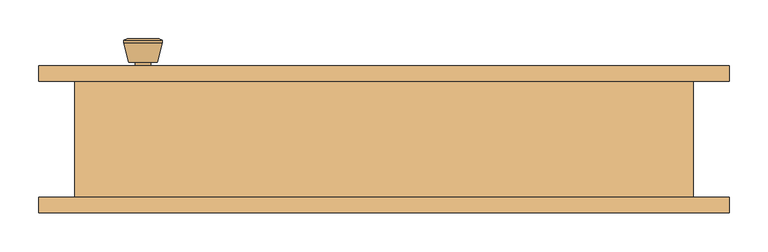
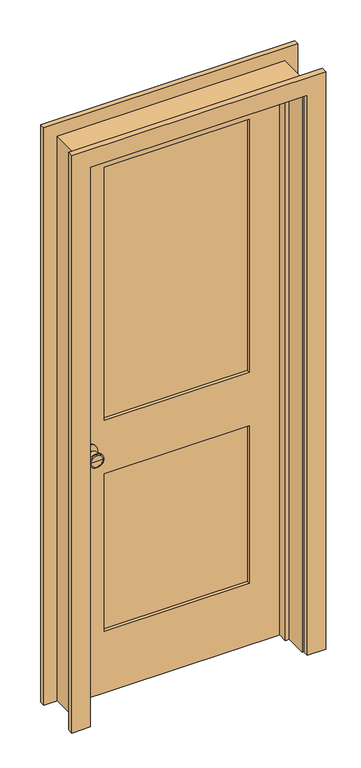
"""IFC4 building model written with IfcOpenShell, lengths in millimetres: door geometry."""

import ifcopenshell
import ifcopenshell.guid

model = None  # the IFC model being written
_history = None  # IfcOwnerHistory: only IFC2X3 demands one
_inside = {}  # id of a spatial element -> (the spatial element, [elements in it])
_under = {}  # id of a project, library or spatial element -> (it, [spatial elements below it])
_declared = {}  # id of a project -> (the project, [libraries it declares])
_typed = {}  # id of a type object -> (the type object, [elements of that type])
_made_of = {}  # id of a material, layer set ... -> (it, [elements and type objects made of it])


def new_model(schema):
    """Start an empty IFC model of exactly this schema.

    Asked for "IFC4X3", IfcOpenShell would pick the latest addendum, in which some entities
    have other attributes; the version numbers below select the first issue.
    IFC2X3 requires an IfcOwnerHistory on every rooted entity: one is made here for all.
    """
    global model, _history
    if schema == "IFC4X3":
        model = ifcopenshell.file(schema_version=(4, 3, 0, 0))
    else:
        model = ifcopenshell.file(schema=schema)
    _inside.clear()
    _under.clear()
    _declared.clear()
    _typed.clear()
    _made_of.clear()
    _history = None
    if model.schema == "IFC2X3":
        org = make("IfcOrganization", Name="unknown")
        user = make(
            "IfcPersonAndOrganization",
            ThePerson=make("IfcPerson", FamilyName="unknown"),
            TheOrganization=org,
        )
        app = make(
            "IfcApplication",
            ApplicationDeveloper=org,
            Version="unknown",
            ApplicationFullName="unknown",
            ApplicationIdentifier="unknown",
        )
        _history = make(
            "IfcOwnerHistory",
            OwningUser=user,
            OwningApplication=app,
            ChangeAction="ADDED",
            CreationDate=0,
        )
    return model


def make(cls, **values):
    """One entity of the class cls with the attributes given. An attribute that is None is left unset."""
    return model.create_entity(
        cls, **{name: value for name, value in values.items() if value is not None}
    )


def rooted(cls, **values):
    """An entity with a GlobalId (a new one), such as an element, a storey or a relation."""
    return make(cls, GlobalId=ifcopenshell.guid.new(), OwnerHistory=_history, **values)


def si_unit(unit_type, name, prefix=None):
    """IfcSIUnit, for example si_unit("LENGTHUNIT", "METRE", prefix="MILLI")."""
    return make("IfcSIUnit", UnitType=unit_type, Prefix=prefix, Name=name)


def assignment(units):
    """IfcUnitAssignment: the units of a project."""
    return None if units is None else make("IfcUnitAssignment", Units=units)


def point(xyz):
    """IfcCartesianPoint."""
    return None if xyz is None else make("IfcCartesianPoint", Coordinates=xyz)


def direction(xyz):
    """IfcDirection."""
    return None if xyz is None else make("IfcDirection", DirectionRatios=xyz)


def frame(location, z_axis=None, x_axis=None):
    """IfcAxis2Placement3D, a coordinate frame: its origin and axes. An axis left out is left unset."""
    return make(
        "IfcAxis2Placement3D",
        Location=point(location),
        Axis=direction(z_axis),
        RefDirection=direction(x_axis),
    )


def frame_2d(location, x_axis=None):
    """IfcAxis2Placement2D, a coordinate frame in the plane: its origin and x axis."""
    return make(
        "IfcAxis2Placement2D", Location=point(location), RefDirection=direction(x_axis)
    )


def origin():
    """The frame at (0, 0, 0) with its axes left unset."""
    return frame((0.0, 0.0, 0.0))


def place(relative_to, where):
    """IfcLocalPlacement: puts the frame where relative to a parent placement (None: the world)."""
    return make(
        "IfcLocalPlacement", PlacementRelTo=relative_to, RelativePlacement=where
    )


def context(
    kind, dimensions, precision=None, world=None, true_north=None, identifier=None
):
    """IfcGeometricRepresentationContext, for example the 3D "Model" context."""
    return make(
        "IfcGeometricRepresentationContext",
        ContextIdentifier=identifier,
        ContextType=kind,
        CoordinateSpaceDimension=dimensions,
        Precision=precision,
        WorldCoordinateSystem=world,
        TrueNorth=true_north,
    )


def project(units=None, contexts=None):
    """IfcProject with its units and contexts."""
    return rooted(
        "IfcProject",
        Name="project",
        RepresentationContexts=contexts,
        UnitsInContext=assignment(units),
    )


def spatial(cls, under=None, at=None, **own):
    """A site, building, storey or space (cls), placed at a placement, below another one or the project."""
    s = rooted(cls, ObjectPlacement=at, **own)
    if under is not None:
        _under.setdefault(under.id(), (under, []))[1].append(s)
    return s


def polyline(points):
    """IfcPolyline through the points."""
    return make("IfcPolyline", Points=[point(p) for p in points])


def circle_curve(where, radius):
    """IfcCircle in the frame where."""
    return make("IfcCircle", Position=where, Radius=radius)


def trimmed(basis, trim1, trim2, sense, master):
    """IfcTrimmedCurve: the piece of a basis curve between two trims."""
    return make(
        "IfcTrimmedCurve",
        BasisCurve=basis,
        Trim1=trim1,
        Trim2=trim2,
        SenseAgreement=sense,
        MasterRepresentation=master,
    )


def segment(curve, same_sense, transition):
    """IfcCompositeCurveSegment."""
    return make(
        "IfcCompositeCurveSegment",
        Transition=transition,
        SameSense=same_sense,
        ParentCurve=curve,
    )


def composite_curve(segments, self_intersect=None):
    """IfcCompositeCurve: segments joined end to end."""
    return make("IfcCompositeCurve", Segments=segments, SelfIntersect=self_intersect)


def outline(outer, holes=None, kind="AREA"):
    """IfcArbitraryClosedProfileDef: a profile drawn as a closed curve; with holes, ...WithVoids."""
    if holes is None:
        return make("IfcArbitraryClosedProfileDef", ProfileType=kind, OuterCurve=outer)
    return make(
        "IfcArbitraryProfileDefWithVoids",
        ProfileType=kind,
        OuterCurve=outer,
        InnerCurves=holes,
    )


def extrude(swept, where, along, depth):
    """IfcExtrudedAreaSolid: the profile swept, set in the frame where, extruded along a direction by depth."""
    return make(
        "IfcExtrudedAreaSolid",
        SweptArea=swept,
        Position=where,
        ExtrudedDirection=direction(along),
        Depth=depth,
    )


def faces_of(points, faces, orient=None, outer=None):
    """IfcFace entities. A face is a list of loops; a loop is a list of indices into points, from 0.

    orient and outer hold one flag for each loop. By default every Orientation is true, the
    first loop of a face is its IfcFaceOuterBound and the others are IfcFaceBound.
    """
    made = []
    for i, loops in enumerate(faces):
        bounds = []
        for j, loop in enumerate(loops):
            is_outer = j == 0 if outer is None else outer[i][j]
            bounds.append(
                make(
                    "IfcFaceOuterBound" if is_outer else "IfcFaceBound",
                    Bound=make("IfcPolyLoop", Polygon=[points[k] for k in loop]),
                    Orientation=True if orient is None else orient[i][j],
                )
            )
        made.append(make("IfcFace", Bounds=bounds))
    return made


def faceted_brep(points, faces, orient=None, outer=None, voids=None):
    """IfcFacetedBrep: a solid bounded by flat faces; with voids (closed shells), ...WithVoids."""
    shared = [point(p) for p in points]
    hull = make("IfcClosedShell", CfsFaces=faces_of(shared, faces, orient, outer))
    if voids is None:
        return make("IfcFacetedBrep", Outer=hull)
    return make(
        "IfcFacetedBrepWithVoids",
        Outer=hull,
        Voids=[
            make(cls, CfsFaces=faces_of(shared, fs, o, b)) for cls, fs, o, b in voids
        ],
    )


def shape(context_of_items, identifier, shape_type, items):
    """IfcShapeRepresentation: the items that make up one representation, for example the "Body"."""
    return make(
        "IfcShapeRepresentation",
        ContextOfItems=context_of_items,
        RepresentationIdentifier=identifier,
        RepresentationType=shape_type,
        Items=items,
    )


def source(mapping_origin, context_of_items, identifier, shape_type, items):
    """IfcRepresentationMap: a shape defined once, which mapped items show again and again."""
    return make(
        "IfcRepresentationMap",
        MappingOrigin=mapping_origin,
        MappedRepresentation=shape(context_of_items, identifier, shape_type, items),
    )


def transform(
    local_origin,
    x_axis=None,
    y_axis=None,
    z_axis=None,
    scale=None,
    scale2=None,
    scale3=None,
    uniform=True,
):
    """IfcCartesianTransformationOperator3D, or its non-uniform kind. x_axis, y_axis, z_axis: its Axis1, 2, 3."""
    if uniform:
        return make(
            "IfcCartesianTransformationOperator3D",
            Axis1=direction(x_axis),
            Axis2=direction(y_axis),
            LocalOrigin=point(local_origin),
            Scale=scale,
            Axis3=direction(z_axis),
        )
    return make(
        "IfcCartesianTransformationOperator3DnonUniform",
        Axis1=direction(x_axis),
        Axis2=direction(y_axis),
        LocalOrigin=point(local_origin),
        Scale=scale,
        Axis3=direction(z_axis),
        Scale2=scale2,
        Scale3=scale3,
    )


def mapped(mapping_source, mapping_target):
    """IfcMappedItem: shows the shape of a source again, moved by a transform."""
    return make(
        "IfcMappedItem", MappingSource=mapping_source, MappingTarget=mapping_target
    )


def made_of(thing, what):
    """Note that an element or type object is made of a material, layer set ...; save() writes the relation."""
    if what is not None:
        _made_of.setdefault(what.id(), (what, []))[1].append(thing)
    return thing


def element(
    cls,
    number,
    at=None,
    inside=None,
    cuts=None,
    type_object=None,
    material=None,
    context=None,
    identifier="Body",
    shape_type=None,
    held_by="IfcProductDefinitionShape",
    body=None,
    shapes=None,
    **own,
):
    """One element of the class cls, such as IfcWall. Its Tag is "e" and its number.

    at: its placement. inside: the storey or other place that contains it. cuts: it is an
    opening in that element (IfcRelVoidsElement). A single representation is given by context,
    identifier, shape_type and body (its items); several are given by shapes. held_by: the class
    of the entity that holds the representations. save() writes the other relations.
    """
    e = rooted(cls, Tag="e%d" % number, ObjectPlacement=at, **own)
    if body is not None:
        shapes = [shape(context, identifier, shape_type, body)]
    if shapes is not None:
        e.Representation = make(held_by, Representations=shapes)
    if inside is not None:
        _inside.setdefault(inside.id(), (inside, []))[1].append(e)
    if cuts is not None:
        rooted(
            "IfcRelVoidsElement", RelatingBuildingElement=cuts, RelatedOpeningElement=e
        )
    if type_object is not None:
        _typed.setdefault(type_object.id(), (type_object, []))[1].append(e)
    return made_of(e, material)


def aggregate(whole, parts):
    """IfcRelAggregates: a whole, such as a stair, and the parts it consists of."""
    return rooted("IfcRelAggregates", RelatingObject=whole, RelatedObjects=parts)


def save(model, path):
    """Write the relations noted so far, then the file.

    IfcRelAggregates (storeys below a building ...), IfcRelContainedInSpatialStructure (elements
    in a storey), IfcRelDefinesByType, IfcRelAssociatesMaterial and IfcRelDeclares: one each for
    every whole, place, type object, material and project.
    """
    for whole, parts in _under.values():
        aggregate(whole, parts)
    for where, things in _inside.values():
        rooted(
            "IfcRelContainedInSpatialStructure",
            RelatedElements=things,
            RelatingStructure=where,
        )
    for kind, things in _typed.values():
        rooted("IfcRelDefinesByType", RelatedObjects=things, RelatingType=kind)
    for what, things in _made_of.values():
        rooted("IfcRelAssociatesMaterial", RelatedObjects=things, RelatingMaterial=what)
    for by, libraries in _declared.values():
        rooted("IfcRelDeclares", RelatingContext=by, RelatedDefinitions=libraries)
    model.write(path)


def plane_surface(at):
    """IfcPlane: the flat surface through the origin of the frame at, square to its z axis."""
    return make("IfcPlane", Position=at)


def cylinder_surface(at, radius):
    """IfcCylindricalSurface: all points at the distance radius from the z axis of the frame at."""
    return make("IfcCylindricalSurface", Position=at, Radius=radius)


def revolved_surface(curve, axis_point, axis_direction):
    """IfcSurfaceOfRevolution: the curve turned about the line through axis_point along axis_direction."""
    return make(
        "IfcSurfaceOfRevolution",
        SweptCurve=make("IfcArbitraryOpenProfileDef", ProfileType="CURVE", Curve=curve),
        AxisPosition=make("IfcAxis1Placement", Location=point(axis_point), Axis=direction(axis_direction)),
    )


def advanced_brep(points, edges, surfaces, faces):
    """IfcAdvancedBrep: a solid bounded by faces that lie on surfaces and meet in shared edges.

    An edge is (start, end): straight between two places in points (the first is 0);
    or (start, end, curve); or (start, end, curve, False) where it runs against its curve.
    A face is (place in surfaces, loops), or (place, loops, False) where it looks against
    its surface's normal. A loop lists edges by number (the first is 1), with a minus sign
    where the edge is run from its end to its start. The first loop is the outer one.
    """
    corners = [point(p) for p in points]
    vertices = [make("IfcVertexPoint", VertexGeometry=c) for c in corners]
    made = []
    for start, end, *more in edges:
        made.append(
            make(
                "IfcEdgeCurve",
                EdgeStart=vertices[start],
                EdgeEnd=vertices[end],
                EdgeGeometry=more[0] if more else make("IfcPolyline", Points=[corners[start], corners[end]]),
                SameSense=more[1] if len(more) > 1 else True,
            )
        )
    hull = []
    for where, loops, *sense in faces:
        bounds = []
        for j, loop in enumerate(loops):
            ring = [make("IfcOrientedEdge", EdgeElement=made[abs(k) - 1], Orientation=k > 0) for k in loop]
            bounds.append(
                make(
                    "IfcFaceOuterBound" if j == 0 else "IfcFaceBound",
                    Bound=make("IfcEdgeLoop", EdgeList=ring),
                    Orientation=True,
                )
            )
        hull.append(make("IfcAdvancedFace", Bounds=bounds, FaceSurface=surfaces[where], SameSense=sense[0] if sense else True))
    return make("IfcAdvancedBrep", Outer=make("IfcClosedShell", CfsFaces=hull))


def door_8f4246bb(model_context):
    return source(origin(), model_context, "Body", "SolidModel", [
        advanced_brep(
        [(-311.5, 30.825, 914.4), (-301.5, 30.825, 914.4), (-321.5, 30.825, 914.4), (-291.0241324, -18.175, 914.4), (-311.5, -18.175, 914.4), (-331.9758676, -18.175, 914.4), (-286.5, -16.3471319, 914.4), (-336.5, -16.3471319, 914.4), (-286.5, -12.8834537, 914.4), (-336.5, -12.8834537, 914.4), (-292.863764, 11.825, 914.4), (-330.136236, 11.825, 914.4), (-301.5, 11.825, 914.4), (-321.5, 11.825, 914.4)],
        [
            (0, 1),
            (1, 2, circle_curve(frame((-311.5, 30.825, 914.4), z_axis=(0.0, 1.0, 0.0), x_axis=(-1.0, 0.0, 0.0)), 10.0)),
            (2, 0),
            (2, 1, circle_curve(frame((-311.5, 30.825, 914.4), z_axis=(0.0, 1.0, 0.0), x_axis=(-1.0, 0.0, 0.0)), 10.0)),
            (3, 4),
            (4, 5),
            (5, 3, circle_curve(frame((-311.5, -18.175, 914.4), z_axis=(0.0, -1.0, 0.0), x_axis=(-1.0, 0.0, 0.0)), 20.4758676)),
            (3, 5, circle_curve(frame((-311.5, -18.175, 914.4), z_axis=(0.0, -1.0, 0.0), x_axis=(-1.0, 0.0, 0.0)), 20.4758676)),
            (6, 3),
            (5, 7),
            (7, 6, circle_curve(frame((-311.5, -16.3471319, 914.4), z_axis=(0.0, -1.0, 0.0), x_axis=(-1.0, 0.0, 0.0)), 25.0)),
            (6, 7, circle_curve(frame((-311.5, -16.3471319, 914.4), z_axis=(0.0, -1.0, 0.0), x_axis=(-1.0, 0.0, 0.0)), 25.0)),
            (8, 6),
            (7, 9),
            (9, 8, circle_curve(frame((-311.5, -12.8834537, 914.4), z_axis=(0.0, -1.0, 0.0), x_axis=(-1.0, 0.0, 0.0)), 25.0)),
            (8, 9, circle_curve(frame((-311.5, -12.8834537, 914.4), z_axis=(0.0, -1.0, 0.0), x_axis=(-1.0, 0.0, 0.0)), 25.0)),
            (10, 8),
            (9, 11),
            (11, 10, circle_curve(frame((-311.5, 11.825, 914.4), z_axis=(0.0, -1.0, 0.0), x_axis=(-1.0, 0.0, 0.0)), 18.636236)),
            (10, 11, circle_curve(frame((-311.5, 11.825, 914.4), z_axis=(0.0, -1.0, 0.0), x_axis=(-1.0, 0.0, 0.0)), 18.636236)),
            (12, 10),
            (11, 13),
            (13, 12, circle_curve(frame((-311.5, 11.825, 914.4), z_axis=(0.0, -1.0, 0.0), x_axis=(-1.0, 0.0, 0.0)), 10.0)),
            (12, 13, circle_curve(frame((-311.5, 11.825, 914.4), z_axis=(0.0, -1.0, 0.0), x_axis=(-1.0, 0.0, 0.0)), 10.0)),
            (1, 12),
            (13, 2),
        ],
        [
            plane_surface(frame((-311.5, 30.825, 914.4), z_axis=(0.0, 1.0, 0.0), x_axis=(-1.0, 0.0, 0.0))),
            plane_surface(frame((-311.5, -18.175, 914.4), z_axis=(0.0, -1.0, 0.0), x_axis=(-1.0, 0.0, 0.0))),
            revolved_surface(polyline([(-331.9758676, -18.175, 914.4), (-336.5, -16.3471319, 914.4)]), (-311.5, 30.825, 914.4), (0.0, 1.0, 0.0)),
            cylinder_surface(frame((-311.5, 30.825, 914.4), z_axis=(0.0, 1.0, 0.0), x_axis=(-1.0, 0.0, 0.0)), 25.0),
            revolved_surface(polyline([(-336.5, -12.8834537, 914.4), (-330.136236, 11.825, 914.4)]), (-311.5, 30.825, 914.4), (0.0, 1.0, 0.0)),
            plane_surface(frame((-311.5, 11.825, 914.4), z_axis=(0.0, 1.0, 0.0), x_axis=(-1.0, 0.0, 0.0))),
            cylinder_surface(frame((-311.5, 30.825, 914.4), z_axis=(0.0, 1.0, 0.0), x_axis=(-1.0, 0.0, 0.0)), 10.0),
        ],
        [
            (0, [[1, 2, 3]]),
            (0, [[-3, 4, -1]]),
            (1, [[5, 6, 7]]),
            (1, [[-6, -5, 8]]),
            (2, [[9, -7, 10, 11]]),
            (2, [[-10, -8, -9, 12]]),
            (3, [[13, -11, 14, 15]]),
            (3, [[-14, -12, -13, 16]]),
            (4, [[17, -15, 18, 19]]),
            (4, [[-18, -16, -17, 20]]),
            (5, [[21, -19, 22, 23]]),
            (5, [[-22, -20, -21, 24]]),
            (6, [[25, -23, 26, -2]]),
            (6, [[-26, -24, -25, -4]]),
        ],
    ),
        extrude(outline(composite_curve([segment(trimmed(circle_curve(frame_2d((914.4, -311.5)), 30.0), [point((914.4, -341.5))], [point((914.4, -281.5))], False, "CARTESIAN"), True, "CONTINUOUS"), segment(trimmed(circle_curve(frame_2d((914.4, -311.5)), 30.0), [point((914.4, -281.5))], [point((914.4, -341.5))], False, "CARTESIAN"), True, "CONTINUOUS")], self_intersect=False)), frame((0.0, 30.825, 0.0), z_axis=(0.0, 1.0, 0.0), x_axis=(0.0, 0.0, 1.0)), (0.0, 0.0, 1.0), 6.0),
        advanced_brep(
        [(-311.5, 77.825, 914.4), (-321.5, 77.825, 914.4), (-301.5, 77.825, 914.4), (-291.0241324, 126.825, 914.4), (-331.9758676, 126.825, 914.4), (-311.5, 126.825, 914.4), (-286.5, 124.9971319, 914.4), (-336.5, 124.9971319, 914.4), (-286.5, 121.5334537, 914.4), (-336.5, 121.5334537, 914.4), (-292.863764, 96.825, 914.4), (-330.136236, 96.825, 914.4), (-301.5, 96.825, 914.4), (-321.5, 96.825, 914.4)],
        [
            (0, 1),
            (1, 2, circle_curve(frame((-311.5, 77.825, 914.4), z_axis=(0.0, -1.0, 0.0), x_axis=(-1.0, 0.0, 0.0)), 10.0)),
            (2, 0),
            (2, 1, circle_curve(frame((-311.5, 77.825, 914.4), z_axis=(0.0, -1.0, 0.0), x_axis=(-1.0, 0.0, 0.0)), 10.0)),
            (3, 4, circle_curve(frame((-311.5, 126.825, 914.4), z_axis=(0.0, 1.0, 0.0), x_axis=(-1.0, 0.0, 0.0)), 20.4758676)),
            (4, 5),
            (5, 3),
            (4, 3, circle_curve(frame((-311.5, 126.825, 914.4), z_axis=(0.0, 1.0, 0.0), x_axis=(-1.0, 0.0, 0.0)), 20.4758676)),
            (6, 7, circle_curve(frame((-311.5, 124.9971319, 914.4), z_axis=(0.0, 1.0, 0.0), x_axis=(-1.0, 0.0, 0.0)), 25.0)),
            (7, 4),
            (3, 6),
            (7, 6, circle_curve(frame((-311.5, 124.9971319, 914.4), z_axis=(0.0, 1.0, 0.0), x_axis=(-1.0, 0.0, 0.0)), 25.0)),
            (8, 9, circle_curve(frame((-311.5, 121.5334537, 914.4), z_axis=(0.0, 1.0, 0.0), x_axis=(-1.0, 0.0, 0.0)), 25.0)),
            (9, 7),
            (6, 8),
            (9, 8, circle_curve(frame((-311.5, 121.5334537, 914.4), z_axis=(0.0, 1.0, 0.0), x_axis=(-1.0, 0.0, 0.0)), 25.0)),
            (10, 11, circle_curve(frame((-311.5, 96.825, 914.4), z_axis=(0.0, 1.0, 0.0), x_axis=(-1.0, 0.0, 0.0)), 18.636236)),
            (11, 9),
            (8, 10),
            (11, 10, circle_curve(frame((-311.5, 96.825, 914.4), z_axis=(0.0, 1.0, 0.0), x_axis=(-1.0, 0.0, 0.0)), 18.636236)),
            (12, 13, circle_curve(frame((-311.5, 96.825, 914.4), z_axis=(0.0, 1.0, 0.0), x_axis=(-1.0, 0.0, 0.0)), 10.0)),
            (13, 11),
            (10, 12),
            (13, 12, circle_curve(frame((-311.5, 96.825, 914.4), z_axis=(0.0, 1.0, 0.0), x_axis=(-1.0, 0.0, 0.0)), 10.0)),
            (1, 13),
            (12, 2),
        ],
        [
            plane_surface(frame((-311.5, 77.825, 914.4), z_axis=(0.0, -1.0, 0.0), x_axis=(-1.0, 0.0, 0.0))),
            plane_surface(frame((-311.5, 126.825, 914.4), z_axis=(0.0, 1.0, 0.0), x_axis=(-1.0, 0.0, 0.0))),
            revolved_surface(polyline([(-331.9758676, 126.825, 914.4), (-336.5, 124.9971319, 914.4)]), (-311.5, 77.825, 914.4), (0.0, -1.0, 0.0)),
            cylinder_surface(frame((-311.5, 77.825, 914.4), z_axis=(0.0, -1.0, 0.0), x_axis=(-1.0, 0.0, 0.0)), 25.0),
            revolved_surface(polyline([(-336.5, 121.5334537, 914.4), (-330.136236, 96.825, 914.4)]), (-311.5, 77.825, 914.4), (0.0, -1.0, 0.0)),
            plane_surface(frame((-311.5, 96.825, 914.4), z_axis=(0.0, -1.0, 0.0), x_axis=(-1.0, 0.0, 0.0))),
            cylinder_surface(frame((-311.5, 77.825, 914.4), z_axis=(0.0, -1.0, 0.0), x_axis=(-1.0, 0.0, 0.0)), 10.0),
        ],
        [
            (0, [[1, 2, 3]]),
            (0, [[-3, 4, -1]]),
            (1, [[5, 6, 7]]),
            (1, [[8, -7, -6]]),
            (2, [[9, 10, -5, 11]]),
            (2, [[12, -11, -8, -10]]),
            (3, [[13, 14, -9, 15]]),
            (3, [[16, -15, -12, -14]]),
            (4, [[17, 18, -13, 19]]),
            (4, [[20, -19, -16, -18]]),
            (5, [[21, 22, -17, 23]]),
            (5, [[24, -23, -20, -22]]),
            (6, [[-2, 25, -21, 26]]),
            (6, [[-4, -26, -24, -25]]),
        ],
    ),
        extrude(outline(composite_curve([segment(trimmed(circle_curve(frame_2d((914.4, -311.5)), 30.0), [point((914.4, -341.5))], [point((914.4, -281.5))], False, "CARTESIAN"), True, "CONTINUOUS"), segment(trimmed(circle_curve(frame_2d((914.4, -311.5)), 30.0), [point((914.4, -281.5))], [point((914.4, -341.5))], False, "CARTESIAN"), True, "CONTINUOUS")], self_intersect=False)), frame((0.0, 71.825, 0.0), z_axis=(0.0, 1.0, 0.0), x_axis=(0.0, 0.0, 1.0)), (0.0, 0.0, 1.0), 6.0),
        extrude(outline(polyline([(255.0, 48.4916667), (-255.0, 48.4916667), (-255.0, 60.1583333), (255.0, 60.1583333), (255.0, 48.4916667)])), frame((0.0, 0.0, 1014.4), z_axis=(0.0, 0.0, 1.0), x_axis=(1.0, 0.0, 0.0)), (0.0, 0.0, 1.0), 940.6),
        extrude(outline(polyline([(255.0, 48.4916667), (-255.0, 48.4916667), (-255.0, 60.1583333), (255.0, 60.1583333), (255.0, 48.4916667)])), frame((0.0, 0.0, 230.0), z_axis=(0.0, 0.0, 1.0), x_axis=(1.0, 0.0, 0.0)), (0.0, 0.0, 1.0), 584.4),
        extrude(outline(polyline([(2075.0, -375.0), (0.0, -375.0), (0.0, 375.0), (2075.0, 375.0), (2075.0, -375.0)]), holes=[polyline([(1955.0, -255.0), (1955.0, 255.0), (1014.4, 255.0), (1014.4, -255.0), (1955.0, -255.0)]), polyline([(814.4, -255.0), (814.4, 255.0), (230.0, 255.0), (230.0, -255.0), (814.4, -255.0)])]), frame((0.0, 36.825, 0.0), z_axis=(0.0, 1.0, 0.0), x_axis=(0.0, 0.0, 1.0)), (0.0, 0.0, 1.0), 35.0),
        faceted_brep([(400.0, 71.825, 0.0), (400.0, -78.175, 0.0), (375.0, -78.175, 0.0), (375.0, 1.9, 0.0), (362.3, 1.9, 0.0), (362.3, 36.825, 0.0), (375.0, 36.825, 0.0), (375.0, 71.825, 0.0), (400.0, 71.825, 2100.0), (400.0, -78.175, 2100.0), (-400.0, -78.175, 2100.0), (-400.0, -78.175, 0.0), (-375.0, -78.175, 0.0), (-375.0, -78.175, 2075.0), (375.0, -78.175, 2075.0), (375.0, 1.9, 2075.0), (-375.0, 1.9, 2075.0), (-375.0, 1.9, 0.0), (-362.3, 1.9, 0.0), (-362.3, 1.9, 2062.3), (362.3, 1.9, 2062.3), (362.3, 36.825, 2062.3), (-362.3, 36.825, 2062.3), (-362.3, 36.825, 0.0), (-375.0, 36.825, 0.0), (-375.0, 36.825, 2075.0), (375.0, 36.825, 2075.0), (375.0, 71.825, 2075.0), (-375.0, 71.825, 2075.0), (-375.0, 71.825, 0.0), (-400.0, 71.825, 0.0), (-400.0, 71.825, 2100.0)], [[[0, 1, 2, 3, 4, 5, 6, 7]], [[1, 0, 8, 9]], [[2, 1, 9, 10, 11, 12, 13, 14]], [[3, 2, 14, 15]], [[4, 3, 15, 16, 17, 18, 19, 20]], [[5, 4, 20, 21]], [[6, 5, 21, 22, 23, 24, 25, 26]], [[7, 6, 26, 27]], [[0, 7, 27, 28, 29, 30, 31, 8]], [[9, 8, 31, 10]], [[15, 14, 13, 16]], [[21, 20, 19, 22]], [[27, 26, 25, 28]], [[30, 29, 24, 23, 18, 17, 12, 11]], [[10, 31, 30, 11]], [[16, 13, 12, 17]], [[22, 19, 18, 23]], [[28, 25, 24, 29]]]),
        extrude(outline(polyline([(0.0, 381.35), (0.0, 446.35), (2146.35, 446.35), (2146.35, -446.35), (0.0, -446.35), (0.0, -381.35), (2081.35, -381.35), (2081.35, 381.35), (0.0, 381.35)])), frame((0.0, -98.175, 0.0), z_axis=(0.0, 1.0, 0.0), x_axis=(0.0, 0.0, 1.0)), (0.0, 0.0, 1.0), 20.0),
        extrude(outline(polyline([(0.0, 381.35), (0.0, 446.35), (2146.35, 446.35), (2146.35, -446.35), (0.0, -446.35), (0.0, -381.35), (2081.35, -381.35), (2081.35, 381.35), (0.0, 381.35)])), frame((0.0, 71.825, 0.0), z_axis=(0.0, 1.0, 0.0), x_axis=(0.0, 0.0, 1.0)), (0.0, 0.0, 1.0), 20.0),
    ])


if __name__ == "__main__":
    model = new_model("IFC4")
    model_context = context("Model", 3, world=origin())
    ifc_project = project(units=[si_unit("LENGTHUNIT", "METRE", prefix="MILLI")], contexts=[model_context])
    site = spatial("IfcSite", under=ifc_project)
    building = spatial("IfcBuilding", under=site)
    placement = place(None, origin())
    door_shape = door_8f4246bb(model_context)
    element("IfcDoor", 1, at=placement, inside=building, context=model_context, shape_type="MappedRepresentation", body=[
        mapped(door_shape, transform((0.0, 0.0, 0.0), x_axis=(1.0, 0.0, 0.0), y_axis=(0.0, 1.0, 0.0), z_axis=(0.0, 0.0, 1.0))),
    ])
    save(model, "model.ifc")
